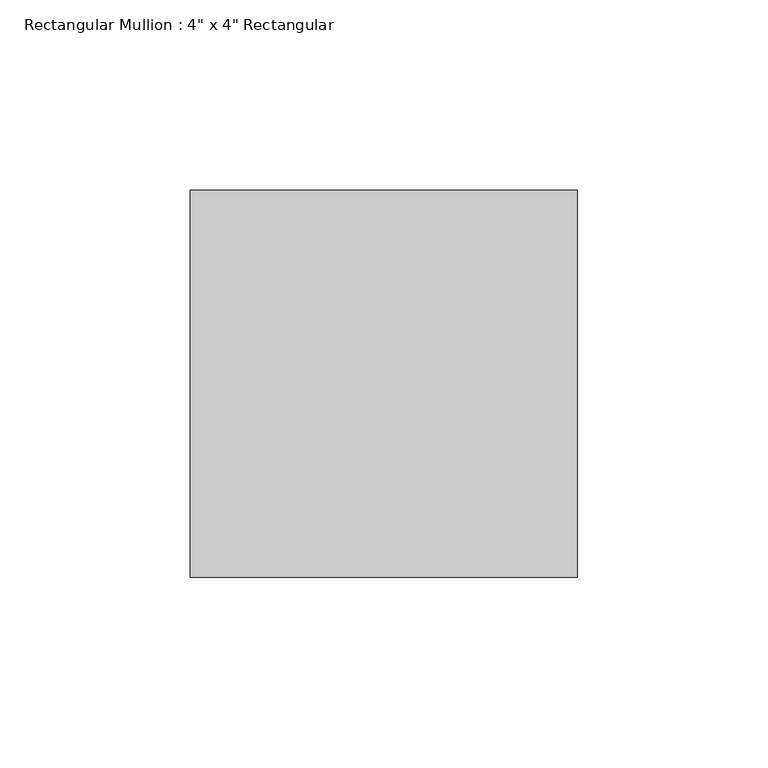
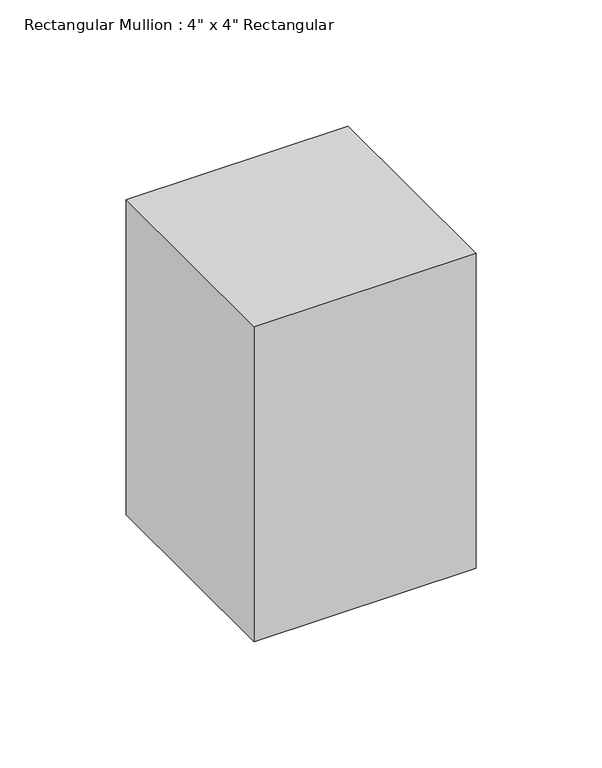
"""IFC4 building model written with IfcOpenShell, lengths in millimetres: member geometry."""

from ifc_helpers import new_model, si_unit, frame, origin, place, context, project, spatial, polyline, outline, extrude, source, transform, mapped, element, save


def member_6157a926(model_context):
    return source(origin(), model_context, "Body", "SweptSolid", [
        extrude(outline(polyline([(0.0, 50.8), (0.0, -50.8), (-101.6, -50.8), (-101.6, 50.8), (0.0, 50.8)])), frame((0.0, 0.0, -152.4), z_axis=(0.0, 0.0, 1.0), x_axis=(1.0, 0.0, 0.0)), (0.0, 0.0, 1.0), 152.4),
    ])


if __name__ == "__main__":
    model = new_model("IFC4")
    model_context = context("Model", 3, world=origin())
    ifc_project = project(units=[si_unit("LENGTHUNIT", "METRE", prefix="MILLI")], contexts=[model_context])
    site = spatial("IfcSite", under=ifc_project)
    building = spatial("IfcBuilding", under=site)
    placement = place(None, origin())
    member_shape = member_6157a926(model_context)
    element("IfcMember", 1, ObjectType="Rectangular Mullion : 4\" x 4\" Rectangular", at=placement, inside=building, context=model_context, shape_type="MappedRepresentation", body=[
        mapped(member_shape, transform((0.0, 0.0, 0.0), x_axis=(1.0, 0.0, 0.0), y_axis=(0.0, 1.0, 0.0), z_axis=(0.0, 0.0, 1.0))),
    ])
    save(model, "model.ifc")
